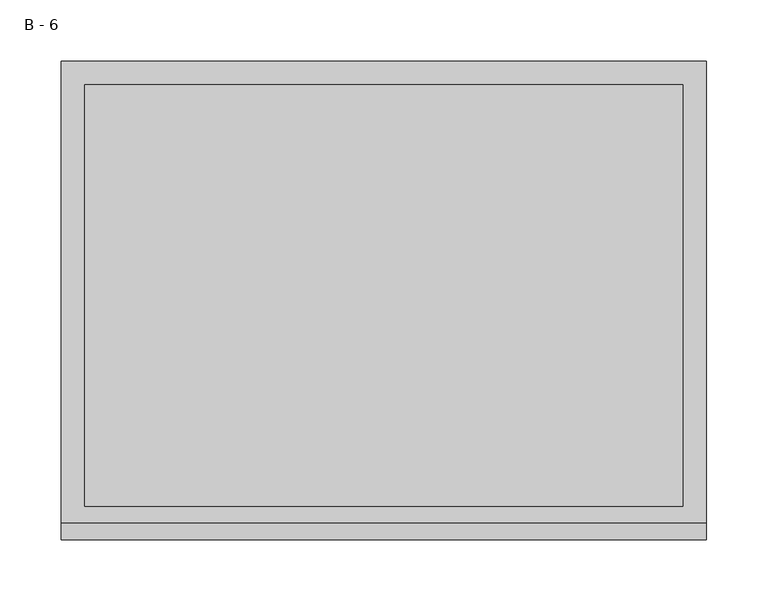
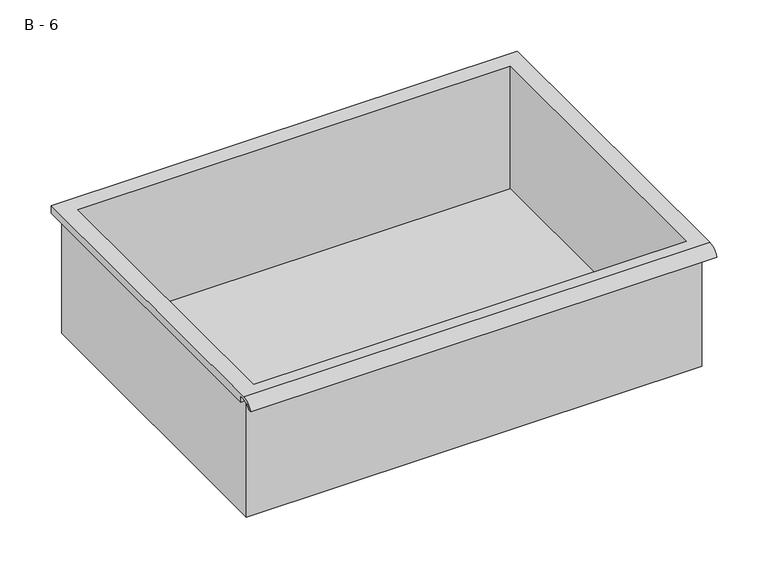
"""IFC4 building model written with IfcOpenShell, lengths in millimetres: furniture geometry, B - 6."""

from ifc_helpers import new_model, si_unit, frame, origin, place, context, project, spatial, polyline, circle_curve, source, transform, mapped, element, save
from ifc_brep_helpers import plane_surface, cylinder_surface, revolved_surface, advanced_brep


def b_6_ca8d4909(model_context):
    return source(origin(), model_context, "Body", "AdvancedBrep", [
        advanced_brep(
        [(-257.1076517, -176.2125, 569.82614), (257.2423483, -176.2125, 569.82614), (257.2423483, -176.2125, 709.52614), (263.5923483, -176.2125, 709.52614), (263.5923483, -176.2125, 715.8332741), (-263.4576517, -176.2125, 715.8332741), (-263.4576517, -176.2125, 709.52614), (-257.1076517, -176.2125, 709.52614), (257.2423483, 185.7375, 569.82614), (-257.1076517, 185.7375, 569.82614), (-257.1076517, 185.7375, 709.52614), (257.2423483, 185.7375, 709.52614), (263.5923483, -181.6070544, 719.05114), (263.5923483, 195.2625, 719.05114), (-263.4576517, 195.2625, 719.05114), (-263.4576517, -181.6070544, 719.05114), (244.5423483, -168.275, 719.05114), (-244.4076517, -168.275, 719.05114), (-244.4076517, 176.2125, 719.05114), (244.5423483, 176.2125, 719.05114), (263.5923483, -195.2625, 709.52614), (263.5923483, -191.8280601, 709.52614), (263.5923483, -180.4714815, 715.8332741), (263.5923483, 195.2625, 709.52614), (-263.4576517, 195.2625, 709.52614), (-263.4576517, -180.4714815, 715.8332741), (-263.4576517, -191.8280601, 709.52614), (-263.4576517, -195.2625, 709.52614), (-244.4076517, -168.275, 572.8523119), (244.5423483, -168.275, 572.8523119), (244.5423483, 176.2125, 572.8523119), (-244.4076517, 176.2125, 572.8523119)],
        [
            (0, 1),
            (1, 2),
            (2, 3),
            (3, 4),
            (4, 5),
            (5, 6),
            (6, 7),
            (7, 0),
            (8, 9),
            (9, 10),
            (10, 11),
            (11, 8),
            (0, 9),
            (8, 1),
            (11, 2),
            (12, 13),
            (13, 14),
            (14, 15),
            (15, 12),
            (16, 17),
            (17, 18),
            (18, 19),
            (19, 16),
            (7, 10),
            (12, 20, circle_curve(frame((263.5923483, -181.6070544, 704.5001259), z_axis=(1.0, 0.0, 0.0), x_axis=(0.0, 1.0, 0.0)), 14.5510141)),
            (20, 21),
            (21, 22, circle_curve(frame((263.5923483, -181.6070544, 704.5001259), z_axis=(-1.0, 0.0, 0.0), x_axis=(0.0, 1.0, 0.0)), 11.3898979)),
            (22, 4),
            (3, 23),
            (23, 13),
            (14, 24),
            (24, 6),
            (5, 25),
            (25, 26, circle_curve(frame((-263.4576517, -181.6070544, 704.5001259), z_axis=(1.0, 0.0, 0.0), x_axis=(0.0, 1.0, 0.0)), 11.3898979)),
            (26, 27),
            (27, 15, circle_curve(frame((-263.4576517, -181.6070544, 704.5001259), z_axis=(-1.0, 0.0, 0.0), x_axis=(0.0, 1.0, 0.0)), 14.5510141)),
            (27, 20),
            (26, 21),
            (25, 22),
            (24, 23),
            (28, 29),
            (29, 30),
            (30, 31),
            (31, 28),
            (28, 17),
            (16, 29),
            (19, 30),
            (18, 31),
        ],
        [
            plane_surface(frame((257.2423483, -176.2125, 569.82614), z_axis=(0.0, -1.0, 0.0), x_axis=(1.0, 0.0, 0.0))),
            plane_surface(frame((257.2423483, 185.7375, 569.82614), z_axis=(0.0, 1.0, 0.0), x_axis=(-1.0, 0.0, 0.0))),
            plane_surface(frame((-257.1076517, -176.2125, 569.82614), z_axis=(0.0, 0.0, -1.0), x_axis=(0.0, 1.0, 0.0))),
            plane_surface(frame((257.2423483, -176.2125, 569.82614), z_axis=(1.0, 0.0, 0.0), x_axis=(0.0, 1.0, 0.0))),
            plane_surface(frame((257.2423483, -176.2125, 719.05114), z_axis=(0.0, 0.0, 1.0), x_axis=(0.0, 1.0, 0.0))),
            plane_surface(frame((-257.1076517, -176.2125, 719.05114), z_axis=(-1.0, 0.0, 0.0), x_axis=(0.0, 1.0, 0.0))),
            plane_surface(frame((263.5923483, 195.2625, 719.05114), z_axis=(1.0, 0.0, 0.0), x_axis=(0.0, -1.0, 0.0))),
            plane_surface(frame((-263.4576517, 195.2625, 719.05114), z_axis=(-1.0, 0.0, 0.0), x_axis=(0.0, 1.0, 0.0))),
            cylinder_surface(frame((-263.4576517, -181.6070544, 704.5001259), z_axis=(1.0, 0.0, 0.0), x_axis=(0.0, 1.0, 0.0)), 14.5510141),
            plane_surface(frame((263.5923483, -195.2625, 709.52614), z_axis=(0.0, -7.133584965255044e-12, -1.0), x_axis=(-1.0, 0.0, 0.0))),
            revolved_surface(polyline([(-263.4576517, -170.21715650000002, 704.5001259), (263.59234829999997, -170.21715650000002, 704.5001259)]), (-263.4576517, -181.6070544, 704.5001259), (-1.0, 0.0, 0.0)),
            plane_surface(frame((263.5923483, -180.4714815, 715.8332741), z_axis=(0.0, -1.767071905139291e-11, -1.0), x_axis=(-1.0, 0.0, 0.0))),
            plane_surface(frame((263.5923483, -176.2125, 709.52614), z_axis=(0.0, 0.0, -1.0), x_axis=(-1.0, 0.0, 0.0))),
            plane_surface(frame((263.5923483, 195.2625, 709.52614), z_axis=(0.0, 1.0, 0.0), x_axis=(-1.0, 0.0, 0.0))),
            plane_surface(frame((244.5423483, -168.275, 572.8523119), z_axis=(0.0, 0.0, 1.0), x_axis=(-1.0, 0.0, 0.0))),
            plane_surface(frame((-244.4076517, -168.275, 719.05114), z_axis=(0.0, 1.0, 0.0), x_axis=(0.0, 0.0, -1.0))),
            plane_surface(frame((244.5423483, -168.275, 719.05114), z_axis=(-1.0, 0.0, 0.0), x_axis=(0.0, 0.0, -1.0))),
            plane_surface(frame((244.5423483, 176.2125, 719.05114), z_axis=(0.0, -1.0, 0.0), x_axis=(0.0, 0.0, -1.0))),
            plane_surface(frame((-244.4076517, 176.2125, 719.05114), z_axis=(1.0, 0.0, 0.0), x_axis=(0.0, 0.0, -1.0))),
        ],
        [
            (0, [[1, 2, 3, 4, 5, 6, 7, 8]]),
            (1, [[9, 10, 11, 12]]),
            (2, [[-1, 13, -9, 14]]),
            (3, [[-14, -12, 15, -2]]),
            (4, [[16, 17, 18, 19], [20, 21, 22, 23]]),
            (5, [[-13, -8, 24, -10]]),
            (6, [[-16, 25, 26, 27, 28, -4, 29, 30]]),
            (7, [[31, 32, -6, 33, 34, 35, 36, -18]]),
            (8, [[-25, -19, -36, 37]]),
            (9, [[-26, -37, -35, 38]]),
            (10, [[-27, -38, -34, 39]]),
            (11, [[-28, -39, -33, -5]]),
            (12, [[-29, -3, -15, -11, -24, -7, -32, 40]]),
            (13, [[-30, -40, -31, -17]]),
            (14, [[41, 42, 43, 44]]),
            (15, [[-41, 45, -20, 46]]),
            (16, [[-42, -46, -23, 47]]),
            (17, [[-43, -47, -22, 48]]),
            (18, [[-44, -48, -21, -45]]),
        ],
    ),
    ])


if __name__ == "__main__":
    model = new_model("IFC4")
    model_context = context("Model", 3, world=origin())
    ifc_project = project(units=[si_unit("LENGTHUNIT", "METRE", prefix="MILLI")], contexts=[model_context])
    site = spatial("IfcSite", under=ifc_project)
    building = spatial("IfcBuilding", under=site)
    placement = place(None, origin())
    b_6_shape = b_6_ca8d4909(model_context)
    element("IfcFurniture", 1, ObjectType="B - 6", at=placement, inside=building, context=model_context, shape_type="MappedRepresentation", body=[
        mapped(b_6_shape, transform((0.0, 0.0, 0.0), x_axis=(1.0, 0.0, 0.0), y_axis=(0.0, 1.0, 0.0), z_axis=(0.0, 0.0, 1.0))),
    ])
    save(model, "model.ifc")
